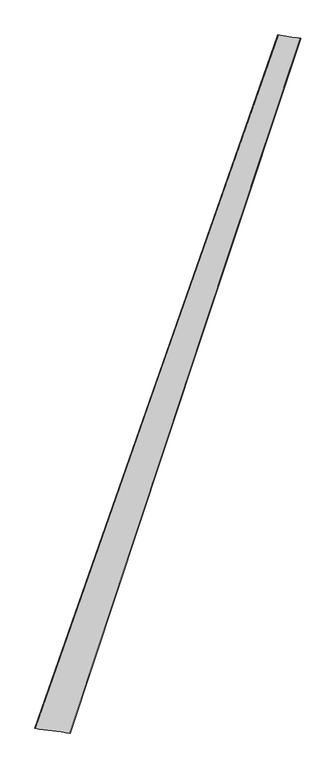
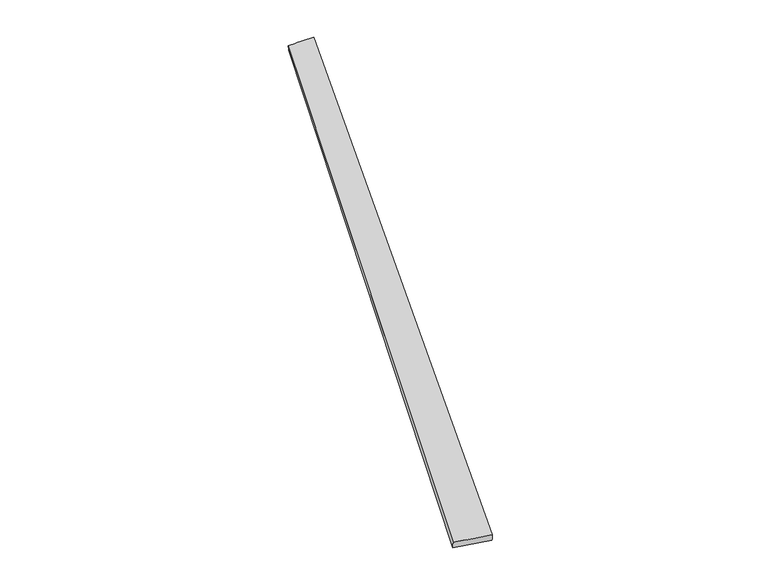
"""IFC4 building model written with IfcOpenShell, lengths in millimetres: proxy geometry."""

import ifcopenshell
import ifcopenshell.guid

model = None  # the IFC model being written
_history = None  # IfcOwnerHistory: only IFC2X3 demands one
_inside = {}  # id of a spatial element -> (the spatial element, [elements in it])
_under = {}  # id of a project, library or spatial element -> (it, [spatial elements below it])
_declared = {}  # id of a project -> (the project, [libraries it declares])
_typed = {}  # id of a type object -> (the type object, [elements of that type])
_made_of = {}  # id of a material, layer set ... -> (it, [elements and type objects made of it])


def new_model(schema):
    """Start an empty IFC model of exactly this schema.

    Asked for "IFC4X3", IfcOpenShell would pick the latest addendum, in which some entities
    have other attributes; the version numbers below select the first issue.
    IFC2X3 requires an IfcOwnerHistory on every rooted entity: one is made here for all.
    """
    global model, _history
    if schema == "IFC4X3":
        model = ifcopenshell.file(schema_version=(4, 3, 0, 0))
    else:
        model = ifcopenshell.file(schema=schema)
    _inside.clear()
    _under.clear()
    _declared.clear()
    _typed.clear()
    _made_of.clear()
    _history = None
    if model.schema == "IFC2X3":
        org = make("IfcOrganization", Name="unknown")
        user = make(
            "IfcPersonAndOrganization",
            ThePerson=make("IfcPerson", FamilyName="unknown"),
            TheOrganization=org,
        )
        app = make(
            "IfcApplication",
            ApplicationDeveloper=org,
            Version="unknown",
            ApplicationFullName="unknown",
            ApplicationIdentifier="unknown",
        )
        _history = make(
            "IfcOwnerHistory",
            OwningUser=user,
            OwningApplication=app,
            ChangeAction="ADDED",
            CreationDate=0,
        )
    return model


def make(cls, **values):
    """One entity of the class cls with the attributes given. An attribute that is None is left unset."""
    return model.create_entity(
        cls, **{name: value for name, value in values.items() if value is not None}
    )


def rooted(cls, **values):
    """An entity with a GlobalId (a new one), such as an element, a storey or a relation."""
    return make(cls, GlobalId=ifcopenshell.guid.new(), OwnerHistory=_history, **values)


def si_unit(unit_type, name, prefix=None):
    """IfcSIUnit, for example si_unit("LENGTHUNIT", "METRE", prefix="MILLI")."""
    return make("IfcSIUnit", UnitType=unit_type, Prefix=prefix, Name=name)


def assignment(units):
    """IfcUnitAssignment: the units of a project."""
    return None if units is None else make("IfcUnitAssignment", Units=units)


def point(xyz):
    """IfcCartesianPoint."""
    return None if xyz is None else make("IfcCartesianPoint", Coordinates=xyz)


def direction(xyz):
    """IfcDirection."""
    return None if xyz is None else make("IfcDirection", DirectionRatios=xyz)


def frame(location, z_axis=None, x_axis=None):
    """IfcAxis2Placement3D, a coordinate frame: its origin and axes. An axis left out is left unset."""
    return make(
        "IfcAxis2Placement3D",
        Location=point(location),
        Axis=direction(z_axis),
        RefDirection=direction(x_axis),
    )


def origin():
    """The frame at (0, 0, 0) with its axes left unset."""
    return frame((0.0, 0.0, 0.0))


def place(relative_to, where):
    """IfcLocalPlacement: puts the frame where relative to a parent placement (None: the world)."""
    return make(
        "IfcLocalPlacement", PlacementRelTo=relative_to, RelativePlacement=where
    )


def context(
    kind, dimensions, precision=None, world=None, true_north=None, identifier=None
):
    """IfcGeometricRepresentationContext, for example the 3D "Model" context."""
    return make(
        "IfcGeometricRepresentationContext",
        ContextIdentifier=identifier,
        ContextType=kind,
        CoordinateSpaceDimension=dimensions,
        Precision=precision,
        WorldCoordinateSystem=world,
        TrueNorth=true_north,
    )


def project(units=None, contexts=None):
    """IfcProject with its units and contexts."""
    return rooted(
        "IfcProject",
        Name="project",
        RepresentationContexts=contexts,
        UnitsInContext=assignment(units),
    )


def spatial(cls, under=None, at=None, **own):
    """A site, building, storey or space (cls), placed at a placement, below another one or the project."""
    s = rooted(cls, ObjectPlacement=at, **own)
    if under is not None:
        _under.setdefault(under.id(), (under, []))[1].append(s)
    return s


def shape(context_of_items, identifier, shape_type, items):
    """IfcShapeRepresentation: the items that make up one representation, for example the "Body"."""
    return make(
        "IfcShapeRepresentation",
        ContextOfItems=context_of_items,
        RepresentationIdentifier=identifier,
        RepresentationType=shape_type,
        Items=items,
    )


def source(mapping_origin, context_of_items, identifier, shape_type, items):
    """IfcRepresentationMap: a shape defined once, which mapped items show again and again."""
    return make(
        "IfcRepresentationMap",
        MappingOrigin=mapping_origin,
        MappedRepresentation=shape(context_of_items, identifier, shape_type, items),
    )


def transform(
    local_origin,
    x_axis=None,
    y_axis=None,
    z_axis=None,
    scale=None,
    scale2=None,
    scale3=None,
    uniform=True,
):
    """IfcCartesianTransformationOperator3D, or its non-uniform kind. x_axis, y_axis, z_axis: its Axis1, 2, 3."""
    if uniform:
        return make(
            "IfcCartesianTransformationOperator3D",
            Axis1=direction(x_axis),
            Axis2=direction(y_axis),
            LocalOrigin=point(local_origin),
            Scale=scale,
            Axis3=direction(z_axis),
        )
    return make(
        "IfcCartesianTransformationOperator3DnonUniform",
        Axis1=direction(x_axis),
        Axis2=direction(y_axis),
        LocalOrigin=point(local_origin),
        Scale=scale,
        Axis3=direction(z_axis),
        Scale2=scale2,
        Scale3=scale3,
    )


def mapped(mapping_source, mapping_target):
    """IfcMappedItem: shows the shape of a source again, moved by a transform."""
    return make(
        "IfcMappedItem", MappingSource=mapping_source, MappingTarget=mapping_target
    )


def made_of(thing, what):
    """Note that an element or type object is made of a material, layer set ...; save() writes the relation."""
    if what is not None:
        _made_of.setdefault(what.id(), (what, []))[1].append(thing)
    return thing


def element(
    cls,
    number,
    at=None,
    inside=None,
    cuts=None,
    type_object=None,
    material=None,
    context=None,
    identifier="Body",
    shape_type=None,
    held_by="IfcProductDefinitionShape",
    body=None,
    shapes=None,
    **own,
):
    """One element of the class cls, such as IfcWall. Its Tag is "e" and its number.

    at: its placement. inside: the storey or other place that contains it. cuts: it is an
    opening in that element (IfcRelVoidsElement). A single representation is given by context,
    identifier, shape_type and body (its items); several are given by shapes. held_by: the class
    of the entity that holds the representations. save() writes the other relations.
    """
    e = rooted(cls, Tag="e%d" % number, ObjectPlacement=at, **own)
    if body is not None:
        shapes = [shape(context, identifier, shape_type, body)]
    if shapes is not None:
        e.Representation = make(held_by, Representations=shapes)
    if inside is not None:
        _inside.setdefault(inside.id(), (inside, []))[1].append(e)
    if cuts is not None:
        rooted(
            "IfcRelVoidsElement", RelatingBuildingElement=cuts, RelatedOpeningElement=e
        )
    if type_object is not None:
        _typed.setdefault(type_object.id(), (type_object, []))[1].append(e)
    return made_of(e, material)


def aggregate(whole, parts):
    """IfcRelAggregates: a whole, such as a stair, and the parts it consists of."""
    return rooted("IfcRelAggregates", RelatingObject=whole, RelatedObjects=parts)


def save(model, path):
    """Write the relations noted so far, then the file.

    IfcRelAggregates (storeys below a building ...), IfcRelContainedInSpatialStructure (elements
    in a storey), IfcRelDefinesByType, IfcRelAssociatesMaterial and IfcRelDeclares: one each for
    every whole, place, type object, material and project.
    """
    for whole, parts in _under.values():
        aggregate(whole, parts)
    for where, things in _inside.values():
        rooted(
            "IfcRelContainedInSpatialStructure",
            RelatedElements=things,
            RelatingStructure=where,
        )
    for kind, things in _typed.values():
        rooted("IfcRelDefinesByType", RelatedObjects=things, RelatingType=kind)
    for what, things in _made_of.values():
        rooted("IfcRelAssociatesMaterial", RelatedObjects=things, RelatingMaterial=what)
    for by, libraries in _declared.values():
        rooted("IfcRelDeclares", RelatingContext=by, RelatedDefinitions=libraries)
    model.write(path)


def spline_surface(u_degree, v_degree, points, u_multiplicities, v_multiplicities, u_knots, v_knots, weights=None):
    """IfcBSplineSurfaceWithKnots; with weights, IfcRationalBSplineSurfaceWithKnots. points: one row for each step in u."""
    own = dict(
        UDegree=u_degree,
        VDegree=v_degree,
        ControlPointsList=[[point(p) for p in row] for row in points],
        SurfaceForm="UNSPECIFIED",
        UClosed=False,
        VClosed=False,
        SelfIntersect=False,
        UMultiplicities=u_multiplicities,
        VMultiplicities=v_multiplicities,
        UKnots=u_knots,
        VKnots=v_knots,
        KnotSpec="UNSPECIFIED",
    )
    if weights is None:
        return make("IfcBSplineSurfaceWithKnots", **own)
    return make("IfcRationalBSplineSurfaceWithKnots", WeightsData=weights, **own)


def advanced_brep(points, edges, surfaces, faces):
    """IfcAdvancedBrep: a solid bounded by faces that lie on surfaces and meet in shared edges.

    An edge is (start, end): straight between two places in points (the first is 0);
    or (start, end, curve); or (start, end, curve, False) where it runs against its curve.
    A face is (place in surfaces, loops), or (place, loops, False) where it looks against
    its surface's normal. A loop lists edges by number (the first is 1), with a minus sign
    where the edge is run from its end to its start. The first loop is the outer one.
    """
    corners = [point(p) for p in points]
    vertices = [make("IfcVertexPoint", VertexGeometry=c) for c in corners]
    made = []
    for start, end, *more in edges:
        made.append(
            make(
                "IfcEdgeCurve",
                EdgeStart=vertices[start],
                EdgeEnd=vertices[end],
                EdgeGeometry=more[0] if more else make("IfcPolyline", Points=[corners[start], corners[end]]),
                SameSense=more[1] if len(more) > 1 else True,
            )
        )
    hull = []
    for where, loops, *sense in faces:
        bounds = []
        for j, loop in enumerate(loops):
            ring = [make("IfcOrientedEdge", EdgeElement=made[abs(k) - 1], Orientation=k > 0) for k in loop]
            bounds.append(
                make(
                    "IfcFaceOuterBound" if j == 0 else "IfcFaceBound",
                    Bound=make("IfcEdgeLoop", EdgeList=ring),
                    Orientation=True,
                )
            )
        hull.append(make("IfcAdvancedFace", Bounds=bounds, FaceSurface=surfaces[where], SameSense=sense[0] if sense else True))
    return make("IfcAdvancedBrep", Outer=make("IfcClosedShell", CfsFaces=hull))


def generic_models_9efa910c(model_context):
    return source(origin(), model_context, "Body", "AdvancedBrep", [
        advanced_brep(
        [(-686.0779465, -1738.0641311, 5.0343018), (-684.9090044, -1738.3755458, 35.0099018), (672.0893367, 2141.7701443, 21.9734146), (675.7007077, 2140.4038748, -7.7770695), (-489.1366287, -1764.3794493, 24.9029125), (797.9131229, 2122.3749474, 37.5786765), (-490.8724762, -1763.7033169, -5.039193), (801.249715, 2121.3635732, 7.7819606)],
        [
            (0, 1),
            (1, 2),
            (2, 3),
            (3, 0),
            (1, 4),
            (4, 5),
            (5, 2),
            (4, 6),
            (6, 7),
            (7, 5),
            (6, 0),
            (3, 7),
        ],
        [
            spline_surface(1, 1, [[(-686.0779465, -1738.0641311, 5.0343018), (675.7007077, 2140.4038748, -7.7770695)], [(-684.9090044, -1738.3755458, 35.0099018), (672.0893367, 2141.7701443, 21.9734146)]], [2, 2], [2, 2], [0.0, 1.0], [0.0, 1.0]),
            spline_surface(1, 1, [[(-684.9090044, -1738.3755458, 35.0099018), (672.0893367, 2141.7701443, 21.9734146)], [(-489.1366287, -1764.3794493, 24.9029125), (797.9131229, 2122.3749474, 37.5786765)]], [2, 2], [2, 2], [0.0, 1.0], [0.0, 1.0]),
            spline_surface(1, 1, [[(-489.1366287, -1764.3794493, 24.9029125), (797.9131229, 2122.3749474, 37.5786765)], [(-490.8724762, -1763.7033169, -5.039193), (801.249715, 2121.3635732, 7.7819606)]], [2, 2], [2, 2], [0.0, 1.0], [0.0, 1.0]),
            spline_surface(1, 1, [[(-490.8724762, -1763.7033169, -5.039193), (801.249715, 2121.3635732, 7.7819606)], [(-686.0779465, -1738.0641311, 5.0343018), (675.7007077, 2140.4038748, -7.7770695)]], [2, 2], [2, 2], [0.0, 1.0], [0.0, 1.0]),
            spline_surface(1, 1, [[(672.0893367, 2141.7701443, 21.9734146), (675.7007077, 2140.4038748, -7.7770695)], [(797.9131229, 2122.3749474, 37.5786765), (801.249715, 2121.3635732, 7.7819606)]], [2, 2], [2, 2], [0.0, 1.0], [0.0, 1.0]),
            spline_surface(1, 1, [[(-490.8724762, -1763.7033169, -5.039193), (-686.0779465, -1738.0641311, 5.0343018)], [(-489.1366287, -1764.3794493, 24.9029125), (-684.9090044, -1738.3755458, 35.0099018)]], [2, 2], [2, 2], [0.0, 1.0], [0.0, 1.0]),
        ],
        [
            (0, [[1, 2, 3, 4]]),
            (1, [[5, 6, 7, -2]]),
            (2, [[8, 9, 10, -6]]),
            (3, [[11, -4, 12, -9]]),
            (4, [[-3, -7, -10, -12]]),
            (5, [[-11, -8, -5, -1]]),
        ],
    ),
    ])


if __name__ == "__main__":
    model = new_model("IFC4")
    model_context = context("Model", 3, world=origin())
    ifc_project = project(units=[si_unit("LENGTHUNIT", "METRE", prefix="MILLI")], contexts=[model_context])
    site = spatial("IfcSite", under=ifc_project)
    building = spatial("IfcBuilding", under=site)
    placement = place(None, origin())
    generic_models_shape = generic_models_9efa910c(model_context)
    element("IfcBuildingElementProxy", 1, Name="Generic Models", at=placement, inside=building, context=model_context, shape_type="MappedRepresentation", body=[
        mapped(generic_models_shape, transform((0.0, 0.0, 0.0), x_axis=(1.0, 0.0, 0.0), y_axis=(0.0, 1.0, 0.0), z_axis=(0.0, 0.0, 1.0))),
    ])
    save(model, "model.ifc")
